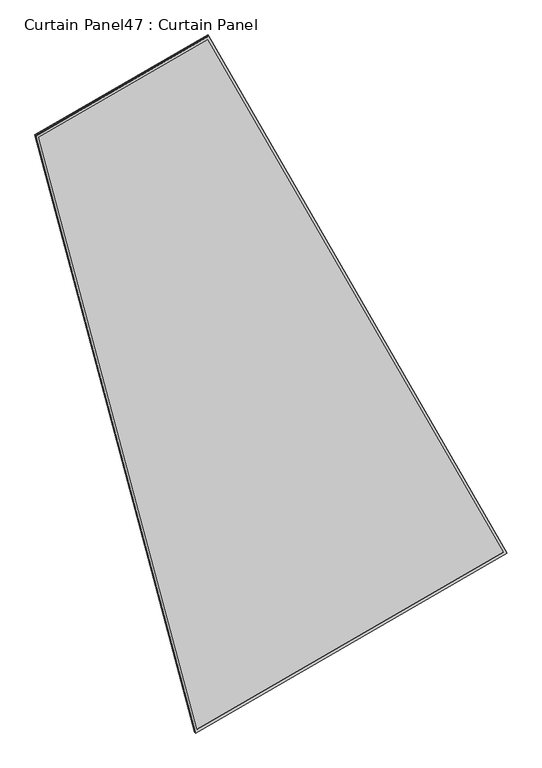
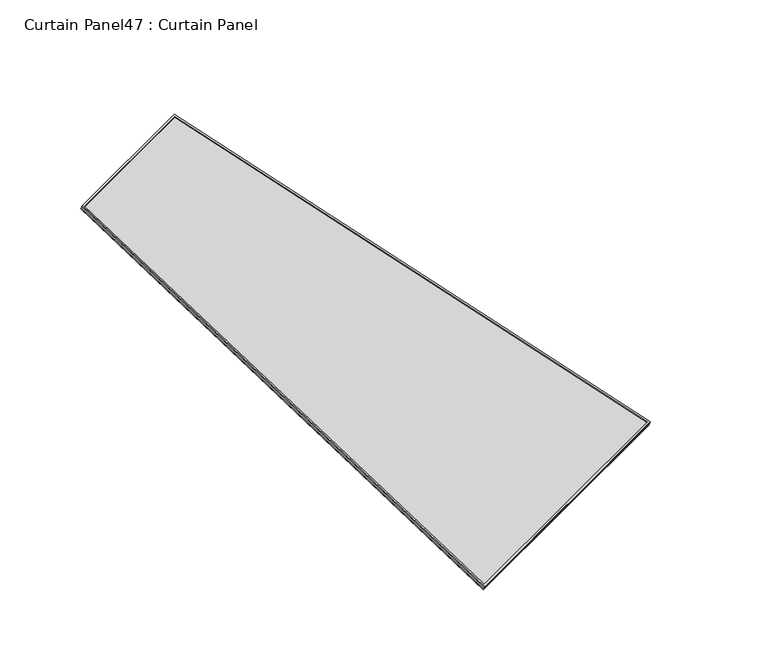
"""IFC4 building model written with IfcOpenShell, lengths in millimetres: plate geometry, Curtain Panel47 : Curtain Panel."""

from ifc_helpers import new_model, si_unit, frame, origin, place, context, project, spatial, polyline, outline, extrude, source, transform, mapped, element, save


def curtain_panel47_curtain_panel_f8831f49(model_context):
    return source(origin(), model_context, "Body", "SweptSolid", [
        extrude(outline(polyline([(903.3982323, -2842.276264), (0.0, -2842.276264), (0.0, 0.0), (1625.9225981, 1e-07), (903.3982323, -2842.276264)]), holes=[polyline([(1611.6318021, -11.1125), (11.1125, -11.1125), (11.1125, -2831.163764), (894.7571701, -2831.1637639), (1611.6318021, -11.1125)])]), frame((16220.5441475, -7222.958858, -9.1846956), z_axis=(0.15807291198690201, -0.27379031486168376, 0.9487106081329127), x_axis=(-0.8660254037844434, -0.499999999999992, 0.0)), (0.0, 0.0, 1.0), 4.8758541),
        extrude(outline(polyline([(903.3982323, -2842.2762639), (0.0, -2842.276264), (0.0, 0.0), (1625.9225981, 1e-07), (903.3982323, -2842.2762639)]), holes=[polyline([(1611.6318022, -11.1125), (11.1125, -11.1125), (11.1125, -2831.163764), (894.7571702, -2831.163764), (1611.6318022, -11.1125)])]), frame((16217.7631772, -7218.1420761, -25.8753228), z_axis=(0.1580729119869046, -0.27379031486168803, 0.9487106081329112), x_axis=(-0.8660254037844429, -0.4999999999999927, 0.0)), (0.0, 0.0, 1.0), 4.7549713),
        extrude(outline(polyline([(-596.6683727, 0.0), (1029.2542254, 0.0), (306.7298597, -2842.2762639), (-596.6683726, -2842.276264), (-596.6683727, 0.0)])), frame((15701.784841, -7517.7781275, -21.3642311), z_axis=(0.15807291198690063, -0.27379031486168065, 0.9487106081329139), x_axis=(-0.8660254037844428, -0.49999999999999295, 0.0)), (0.0, 0.0, 1.0), 12.8379882),
    ])


if __name__ == "__main__":
    model = new_model("IFC4")
    model_context = context("Model", 3, world=origin())
    ifc_project = project(units=[si_unit("LENGTHUNIT", "METRE", prefix="MILLI")], contexts=[model_context])
    site = spatial("IfcSite", under=ifc_project)
    building = spatial("IfcBuilding", under=site)
    placement = place(None, origin())
    curtain_panel47_curtain_panel_shape = curtain_panel47_curtain_panel_f8831f49(model_context)
    element("IfcPlate", 1, ObjectType="Curtain Panel47 : Curtain Panel", at=placement, inside=building, context=model_context, shape_type="MappedRepresentation", body=[
        mapped(curtain_panel47_curtain_panel_shape, transform((0.0, 0.0, 0.0), x_axis=(1.0, 0.0, 0.0), y_axis=(0.0, 1.0, 0.0), z_axis=(0.0, 0.0, 1.0))),
    ])
    save(model, "model.ifc")
